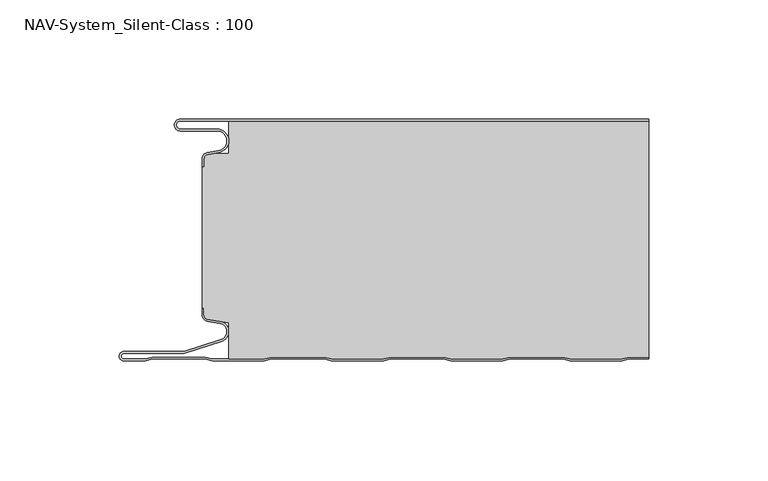
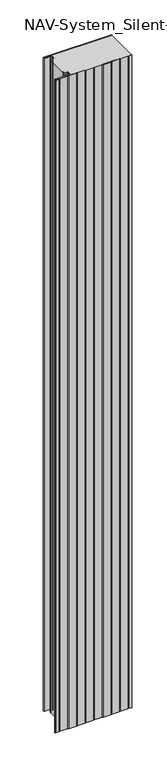
"""IFC4 building model written with IfcOpenShell, lengths in millimetres: plate geometry, NAV-System_Silent-Class : 100."""

from ifc_helpers import new_model, si_unit, frame, origin, place, context, project, spatial, polyline, circle_curve, source, transform, mapped, element, save
from ifc_brep_helpers import plane_surface, cylinder_surface, revolved_surface, advanced_brep


def nav_system_silent_class_100_6dbcedf6(model_context):
    return source(origin(), model_context, "Body", "AdvancedBrep", [
        advanced_brep(
        [(-97.0000001, -0.8000002, 0.0), (-97.0000001, -4.1999999, 0.0), (-81.6002086, -4.1999999, 0.0), (-80.7423864, -14.0049502, 0.0), (-85.6125665, -14.8636946, 0.0), (-87.1000004, -16.6363494, 0.0), (-87.1000014, -19.9421291, 0.0), (-87.9000014, -19.9421291, 0.0), (-87.9000014, -16.6363484, 0.0), (-85.7514853, -14.0758488, 0.0), (-80.8813015, -13.217104, 0.0), (-81.600205, -4.9999999, 0.0), (-97.0000001, -4.9999999, 0.0), (-97.0000001, 0.0, 0.0), (99.5, 0.0, 0.0), (99.5, -0.8, 0.0), (-97.0000001, 0.0, 2000.0), (-97.0000001, -4.9999999, 2000.0), (-81.600205, -4.9999999, 2000.0), (-80.8813015, -13.217104, 2000.0), (-85.7514853, -14.0758488, 2000.0), (-87.8999997, -16.6363484, 2000.0), (-87.9000014, -19.9421291, 2000.0), (-87.1000014, -19.9421291, 2000.0), (-87.1000014, -16.6363494, 2000.0), (-85.6125665, -14.8636946, 2000.0), (-80.7423864, -14.0049502, 2000.0), (-81.6002086, -4.1999999, 2000.0), (-97.0000001, -4.1999999, 2000.0), (-97.0000001, -0.8000002, 2000.0), (99.5, -0.8, 2000.0), (99.5, 0.0, 2000.0)],
        [
            (0, 1, circle_curve(frame((-97.0000001, -2.5, 0.0), z_axis=(0.0, 0.0, 1.0), x_axis=(1.0, 0.0, 0.0)), 1.6999999)),
            (1, 2),
            (2, 3, circle_curve(frame((-81.6002086, -9.1399999, 0.0), z_axis=(0.0, 0.0, -1.0), x_axis=(1.0, 0.0, 0.0)), 4.94)),
            (3, 4),
            (4, 5, circle_curve(frame((-85.2999995, -16.6363494, 0.0), z_axis=(0.0, 0.0, 1.0), x_axis=(1.0, 0.0, 0.0)), 1.8000009)),
            (5, 6),
            (6, 7),
            (7, 8),
            (8, 9, circle_curve(frame((-85.3000002, -16.6363484, 0.0), z_axis=(0.0, 0.0, -1.0), x_axis=(1.0, 0.0, 0.0)), 2.5999995)),
            (9, 10),
            (10, 11, circle_curve(frame((-81.600205, -9.1399999, 0.0), z_axis=(0.0, 0.0, 1.0), x_axis=(1.0, 0.0, 0.0)), 4.14)),
            (11, 12),
            (12, 13, circle_curve(frame((-97.0000001, -2.4999999, 0.0), z_axis=(0.0, 0.0, -1.0), x_axis=(1.0, 0.0, 0.0)), 2.4999999)),
            (13, 14),
            (14, 15),
            (15, 0),
            (16, 17, circle_curve(frame((-97.0000001, -2.4999999, 2000.0), z_axis=(0.0, 0.0, 1.0), x_axis=(1.0, 0.0, 0.0)), 2.4999999)),
            (17, 18),
            (18, 19, circle_curve(frame((-81.600205, -9.1399999, 2000.0), z_axis=(0.0, 0.0, -1.0), x_axis=(1.0, 0.0, 0.0)), 4.14)),
            (19, 20),
            (20, 21, circle_curve(frame((-85.3000002, -16.6363484, 2000.0), z_axis=(0.0, 0.0, 1.0), x_axis=(1.0, 0.0, 0.0)), 2.5999995)),
            (21, 22),
            (22, 23),
            (23, 24),
            (24, 25, circle_curve(frame((-85.2999995, -16.6363494, 2000.0), z_axis=(0.0, 0.0, -1.0), x_axis=(1.0, 0.0, 0.0)), 1.8000009)),
            (25, 26),
            (26, 27, circle_curve(frame((-81.6002086, -9.1399999, 2000.0), z_axis=(0.0, 0.0, 1.0), x_axis=(1.0, 0.0, 0.0)), 4.94)),
            (27, 28),
            (28, 29, circle_curve(frame((-97.0000001, -2.5, 2000.0), z_axis=(0.0, 0.0, -1.0), x_axis=(1.0, 0.0, 0.0)), 1.6999999)),
            (29, 30),
            (30, 31),
            (31, 16),
            (29, 0),
            (15, 30),
            (13, 16),
            (31, 14),
            (1, 28),
            (27, 2),
            (5, 24),
            (23, 6),
            (22, 7),
            (21, 8),
            (11, 18),
            (17, 12),
            (26, 3),
            (25, 4),
            (20, 9),
            (19, 10),
        ],
        [
            plane_surface(frame((-99.5, 0.0, 0.0), z_axis=(0.0, 0.0, -1.0), x_axis=(0.0, -1.0, 0.0))),
            plane_surface(frame((-99.5, 0.0, 2000.0), z_axis=(0.0, 0.0, 1.0), x_axis=(0.0, -1.0, 0.0))),
            plane_surface(frame((898.5000017, -0.8, 0.0), z_axis=(0.0, -1.0, 0.0), x_axis=(0.0, 0.0, 1.0))),
            plane_surface(frame((-97.0000001, 0.0, 0.0), z_axis=(0.0, 1.0, 0.0), x_axis=(0.0, 0.0, 1.0))),
            plane_surface(frame((-97.0000001, -4.1999999, 0.0), z_axis=(0.0, 1.0, 0.0), x_axis=(0.0, 0.0, 1.0))),
            plane_surface(frame((-87.1000014, -16.6363494, 0.0), z_axis=(1.0, 0.0, 0.0), x_axis=(0.0, 0.0, 1.0))),
            plane_surface(frame((-87.1000014, -19.9421291, 0.0), z_axis=(0.0, -1.0, 0.0), x_axis=(0.0, 0.0, 1.0))),
            plane_surface(frame((-87.9000014, -19.9421291, 0.0), z_axis=(-1.0, 0.0, 0.0), x_axis=(0.0, 0.0, 1.0))),
            plane_surface(frame((-81.600205, -4.9999999, 0.0), z_axis=(0.0, -1.0, 0.0), x_axis=(0.0, 0.0, 1.0))),
            revolved_surface(polyline([(-95.3000002, -2.5, 2000.0), (-95.3000002, -2.5, 0.0)]), (-97.0000001, -2.5, 0.0), (0.0, 0.0, 1.0)),
            cylinder_surface(frame((-81.6002086, -9.1399999, 0.0), z_axis=(0.0, 0.0, -1.0), x_axis=(1.0, 0.0, 0.0)), 4.94),
            plane_surface(frame((-80.7423864, -14.0049502, 0.0), z_axis=(0.17364822279076972, -0.9848077450556567, 0.0), x_axis=(0.0, 0.0, 1.0))),
            revolved_surface(polyline([(-83.4999986, -16.6363494, 2000.0), (-83.4999986, -16.6363494, 0.0)]), (-85.2999995, -16.6363494, 0.0), (0.0, 0.0, 1.0)),
            cylinder_surface(frame((-85.3000002, -16.6363484, 0.0), z_axis=(0.0, 0.0, -1.0), x_axis=(1.0, 0.0, 0.0)), 2.5999995),
            plane_surface(frame((-85.7514853, -14.0758488, 0.0), z_axis=(-0.17364817295915452, 0.984807753842316, 0.0), x_axis=(0.0, 0.0, 1.0))),
            revolved_surface(polyline([(-77.460205, -9.1399999, 2000.0), (-77.460205, -9.1399999, 0.0)]), (-81.600205, -9.1399999, 0.0), (0.0, 0.0, 1.0)),
            cylinder_surface(frame((-97.0000001, -2.4999999, 0.0), z_axis=(0.0, 0.0, -1.0), x_axis=(1.0, 0.0, 0.0)), 2.4999999),
            plane_surface(frame((99.5, 100.0, 2000.0), z_axis=(1.0, 0.0, 0.0), x_axis=(0.0, 0.0, -1.0))),
        ],
        [
            (0, [[1, 2, 3, 4, 5, 6, 7, 8, 9, 10, 11, 12, 13, 14, 15, 16]]),
            (1, [[17, 18, 19, 20, 21, 22, 23, 24, 25, 26, 27, 28, 29, 30, 31, 32]]),
            (2, [[33, -16, 34, -30]]),
            (3, [[35, -32, 36, -14]]),
            (4, [[-2, 37, -28, 38]]),
            (5, [[-6, 39, -24, 40]]),
            (6, [[-7, -40, -23, 41]]),
            (7, [[-8, -41, -22, 42]]),
            (8, [[-12, 43, -18, 44]]),
            (9, [[-1, -33, -29, -37]]),
            (10, [[-3, -38, -27, 45]]),
            (11, [[-4, -45, -26, 46]]),
            (12, [[-5, -46, -25, -39]]),
            (13, [[-9, -42, -21, 47]]),
            (14, [[-10, -47, -20, 48]]),
            (15, [[-11, -48, -19, -43]]),
            (16, [[-13, -44, -17, -35]]),
            (17, [[-15, -36, -31, -34]]),
        ],
    ),
        advanced_brep(
        [(-76.6719045, -0.8, 2000.0), (-76.6719045, -14.4343223, 2000.0), (-83.1891722, -14.4343223, 2000.0), (-85.6242625, -14.8636946, 2000.0), (-87.1116964, -16.636349, 2000.0), (-87.1116974, -19.9512003, 2000.0), (-87.9116974, -19.9512003, 2000.0), (-87.9116974, -79.3983656, 2000.0), (-87.1116974, -79.3983656, 2000.0), (-87.1116974, -82.1656409, 2000.0), (-85.4245663, -84.1410176, 2000.0), (-76.6248082, -85.5347623, 2000.0), (-76.6248082, -100.8, 2000.0), (-61.8218295, -100.8, 2000.0), (-58.7610803, -100.0, 2000.0), (-36.5891849, -100.0, 2000.0), (-33.5284357, -100.8, 2000.0), (-11.8218295, -100.8, 2000.0), (-8.7610803, -100.0, 2000.0), (13.4108151, -100.0, 2000.0), (16.4715643, -100.8, 2000.0), (38.1904, -100.8, 2000.0), (41.2511493, -100.0, 2000.0), (63.4108151, -100.0, 2000.0), (66.4715643, -100.8, 2000.0), (88.1781705, -100.8, 2000.0), (91.2389197, -100.0, 2000.0), (99.5, -100.0, 2000.0), (99.5, -0.8, 2000.0), (91.2389197, -100.0, 0.0), (88.1781705, -100.8, 0.0), (66.4715643, -100.8, 0.0), (63.4108151, -100.0, 0.0), (41.2511493, -100.0, 0.0), (38.1904, -100.8, 0.0), (16.4715643, -100.8, 0.0), (13.4108151, -100.0, 0.0), (-8.7610803, -100.0, 0.0), (-11.8218295, -100.8, 0.0), (-33.5284357, -100.8, 0.0), (-36.5891849, -100.0, 0.0), (-58.7610803, -100.0, 0.0), (-61.8218295, -100.8, 0.0), (-76.6248082, -100.8, 0.0), (-76.6248082, -85.5347623, 0.0), (-85.4245663, -84.1410176, 0.0), (-87.1116974, -82.1656409, 0.0), (-87.1116974, -79.3983656, 0.0), (-87.9116974, -79.3983656, 0.0), (-87.9116974, -19.9512003, 0.0), (-87.1116974, -19.9512003, 0.0), (-87.1116974, -16.636349, 0.0), (-85.6242625, -14.8636946, 0.0), (-83.1891722, -14.4343223, 0.0), (-76.6719045, -14.4343223, 0.0), (-76.6719045, -0.8, 0.0), (99.5, -0.8, 0.0), (99.5, -100.0, 0.0)],
        [
            (0, 1),
            (1, 2),
            (2, 3),
            (3, 4, circle_curve(frame((-85.3116955, -16.6363494, 2000.0), z_axis=(0.0, 0.0, 1.0), x_axis=(1.0, 0.0, 0.0)), 1.8000009)),
            (4, 5),
            (5, 6),
            (6, 7),
            (7, 8),
            (8, 9),
            (9, 10, circle_curve(frame((-85.1116974, -82.1656409, 2000.0), z_axis=(0.0, 0.0, 1.0), x_axis=(1.0, 0.0, 0.0)), 2.0)),
            (10, 11),
            (11, 12),
            (12, 13),
            (13, 14),
            (14, 15),
            (15, 16),
            (16, 17),
            (17, 18),
            (18, 19),
            (19, 20),
            (20, 21),
            (21, 22),
            (22, 23),
            (23, 24),
            (24, 25),
            (25, 26),
            (26, 27),
            (27, 28),
            (28, 0),
            (29, 30),
            (30, 31),
            (31, 32),
            (32, 33),
            (33, 34),
            (34, 35),
            (35, 36),
            (36, 37),
            (37, 38),
            (38, 39),
            (39, 40),
            (40, 41),
            (41, 42),
            (42, 43),
            (43, 44),
            (44, 45),
            (45, 46, circle_curve(frame((-85.1116974, -82.1656409, 0.0), z_axis=(0.0, 0.0, -1.0), x_axis=(1.0, 0.0, 0.0)), 2.0)),
            (46, 47),
            (47, 48),
            (48, 49),
            (49, 50),
            (50, 51),
            (51, 52, circle_curve(frame((-85.3116955, -16.6363494, 0.0), z_axis=(0.0, 0.0, -1.0), x_axis=(1.0, 0.0, 0.0)), 1.8000009)),
            (52, 53),
            (53, 54),
            (54, 55),
            (55, 56),
            (56, 57),
            (57, 29),
            (55, 0),
            (28, 56),
            (54, 1),
            (53, 2),
            (52, 3),
            (51, 4),
            (50, 5),
            (49, 6),
            (48, 7),
            (47, 8),
            (46, 9),
            (45, 10),
            (44, 11),
            (43, 12),
            (42, 13),
            (41, 14),
            (40, 15),
            (39, 16),
            (38, 17),
            (37, 18),
            (36, 19),
            (35, 20),
            (34, 21),
            (33, 22),
            (32, 23),
            (31, 24),
            (30, 25),
            (29, 26),
            (57, 27),
        ],
        [
            plane_surface(frame((-99.5, 0.0, 2000.0), z_axis=(0.0, 0.0, 1.0), x_axis=(0.0, -1.0, 0.0))),
            plane_surface(frame((-99.5, 0.0, 0.0), z_axis=(0.0, 0.0, -1.0), x_axis=(0.0, -1.0, 0.0))),
            plane_surface(frame((898.4883057, -0.8, 2000.0), z_axis=(0.0, 1.0, 0.0), x_axis=(0.0, 0.0, -1.0))),
            plane_surface(frame((-76.6719045, -0.8, 2000.0), z_axis=(-1.0, 0.0, 0.0), x_axis=(0.0, 0.0, -1.0))),
            plane_surface(frame((-76.6719045, -14.4343223, 2000.0), z_axis=(0.0, 1.0, 0.0), x_axis=(0.0, 0.0, -1.0))),
            plane_surface(frame((-83.1891722, -14.4343223, 2000.0), z_axis=(-0.17364822279077605, 0.9848077450556556, 0.0), x_axis=(0.0, 0.0, -1.0))),
            cylinder_surface(frame((-85.3116955, -16.6363494, 2000.0), z_axis=(0.0, 0.0, 1.0), x_axis=(1.0, 0.0, 0.0)), 1.8000009),
            plane_surface(frame((-87.1116974, -16.636349, 2000.0), z_axis=(-1.0, 0.0, 0.0), x_axis=(0.0, 0.0, -1.0))),
            plane_surface(frame((-87.1116974, -19.9512003, 2000.0), z_axis=(0.0, 1.0, 0.0), x_axis=(0.0, 0.0, -1.0))),
            plane_surface(frame((-87.9116974, -19.9512003, 2000.0), z_axis=(-1.0, 0.0, 0.0), x_axis=(0.0, 0.0, -1.0))),
            plane_surface(frame((-87.9116974, -79.3983656, 2000.0), z_axis=(0.0, -1.0, 0.0), x_axis=(0.0, 0.0, -1.0))),
            plane_surface(frame((-87.1116974, -79.3983656, 2000.0), z_axis=(-1.0, 0.0, 0.0), x_axis=(0.0, 0.0, -1.0))),
            cylinder_surface(frame((-85.1116974, -82.1656409, 2000.0), z_axis=(0.0, 0.0, 1.0), x_axis=(1.0, 0.0, 0.0)), 2.0),
            plane_surface(frame((-85.4245663, -84.1410176, 2000.0), z_axis=(-0.15643446503997957, -0.9876883405951775, 0.0), x_axis=(0.0, 0.0, -1.0))),
            plane_surface(frame((-76.6248082, -85.5347623, 2000.0), z_axis=(-1.0, 0.0, 0.0), x_axis=(0.0, 0.0, -1.0))),
            plane_surface(frame((-76.6248082, -100.8, 2000.0), z_axis=(0.0, -1.0, 0.0), x_axis=(0.0, 0.0, -1.0))),
            plane_surface(frame((-61.8218295, -100.8, 2000.0), z_axis=(0.2528787310081783, -0.9674979831522613, 0.0), x_axis=(0.0, 0.0, -1.0))),
            plane_surface(frame((-58.7610803, -100.0, 2000.0), z_axis=(0.0, -1.0, 0.0), x_axis=(0.0, 0.0, -1.0))),
            plane_surface(frame((-36.5891849, -100.0, 2000.0), z_axis=(-0.2528787310100107, -0.9674979831517825, 0.0), x_axis=(0.0, 0.0, -1.0))),
            plane_surface(frame((-33.5284357, -100.8, 2000.0), z_axis=(0.0, -1.0, 0.0), x_axis=(0.0, 0.0, -1.0))),
            plane_surface(frame((-11.8218295, -100.8, 2000.0), z_axis=(0.2528787310082462, -0.9674979831522437, 0.0), x_axis=(0.0, 0.0, -1.0))),
            plane_surface(frame((-8.7610803, -100.0, 2000.0), z_axis=(0.0, -1.0, 0.0), x_axis=(0.0, 0.0, -1.0))),
            plane_surface(frame((13.4108151, -100.0, 2000.0), z_axis=(-0.25287873100843644, -0.9674979831521939, 0.0), x_axis=(0.0, 0.0, -1.0))),
            plane_surface(frame((16.4715643, -100.8, 2000.0), z_axis=(0.0, -1.0, 0.0), x_axis=(0.0, 0.0, -1.0))),
            plane_surface(frame((38.1904, -100.8, 2000.0), z_axis=(0.25287873100806824, -0.9674979831522902, 0.0), x_axis=(0.0, 0.0, -1.0))),
            plane_surface(frame((41.2511493, -100.0, 2000.0), z_axis=(0.0, -1.0, 0.0), x_axis=(0.0, 0.0, -1.0))),
            plane_surface(frame((63.4108151, -100.0, 2000.0), z_axis=(-0.25287873100835406, -0.9674979831522155, 0.0), x_axis=(0.0, 0.0, -1.0))),
            plane_surface(frame((66.4715643, -100.8, 2000.0), z_axis=(0.0, -1.0, 0.0), x_axis=(0.0, 0.0, -1.0))),
            plane_surface(frame((88.1781705, -100.8, 2000.0), z_axis=(0.25287873100822345, -0.9674979831522497, 0.0), x_axis=(0.0, 0.0, -1.0))),
            plane_surface(frame((91.2389197, -100.0, 2000.0), z_axis=(0.0, -1.0, 0.0), x_axis=(0.0, 0.0, -1.0))),
            plane_surface(frame((99.5, 100.0, 2000.0), z_axis=(1.0, 0.0, 0.0), x_axis=(0.0, 0.0, -1.0))),
        ],
        [
            (0, [[1, 2, 3, 4, 5, 6, 7, 8, 9, 10, 11, 12, 13, 14, 15, 16, 17, 18, 19, 20, 21, 22, 23, 24, 25, 26, 27, 28, 29]]),
            (1, [[30, 31, 32, 33, 34, 35, 36, 37, 38, 39, 40, 41, 42, 43, 44, 45, 46, 47, 48, 49, 50, 51, 52, 53, 54, 55, 56, 57, 58]]),
            (2, [[59, -29, 60, -56]]),
            (3, [[-1, -59, -55, 61]]),
            (4, [[-2, -61, -54, 62]]),
            (5, [[-3, -62, -53, 63]]),
            (6, [[-4, -63, -52, 64]]),
            (7, [[-5, -64, -51, 65]]),
            (8, [[-6, -65, -50, 66]]),
            (9, [[-7, -66, -49, 67]]),
            (10, [[-8, -67, -48, 68]]),
            (11, [[-9, -68, -47, 69]]),
            (12, [[-10, -69, -46, 70]]),
            (13, [[-11, -70, -45, 71]]),
            (14, [[-12, -71, -44, 72]]),
            (15, [[-13, -72, -43, 73]]),
            (16, [[-14, -73, -42, 74]]),
            (17, [[-15, -74, -41, 75]]),
            (18, [[-16, -75, -40, 76]]),
            (19, [[-17, -76, -39, 77]]),
            (20, [[-18, -77, -38, 78]]),
            (21, [[-19, -78, -37, 79]]),
            (22, [[-20, -79, -36, 80]]),
            (23, [[-21, -80, -35, 81]]),
            (24, [[-22, -81, -34, 82]]),
            (25, [[-23, -82, -33, 83]]),
            (26, [[-24, -83, -32, 84]]),
            (27, [[-25, -84, -31, 85]]),
            (28, [[-26, -85, -30, 86]]),
            (29, [[-86, -58, 87, -27]]),
            (30, [[-28, -87, -57, -60]]),
        ],
    ),
        advanced_brep(
        [(91.239397, -100.0, 2000.0), (88.1786477, -100.8, 2000.0), (66.4720416, -100.8, 2000.0), (63.4112923, -100.0, 2000.0), (41.2516265, -100.0, 2000.0), (38.1908772, -100.8, 2000.0), (16.4720416, -100.8, 2000.0), (13.4112923, -100.0, 2000.0), (-8.760603, -100.0, 2000.0), (-11.8213523, -100.8, 2000.0), (-33.5279584, -100.8, 2000.0), (-36.5887077, -100.0, 2000.0), (-58.760603, -100.0, 2000.0), (-61.8213523, -100.8, 2000.0), (-83.5279584, -100.8, 2000.0), (-86.5887077, -100.0, 2000.0), (-108.760603, -100.0, 2000.0), (-111.8190206, -100.7993906, 2000.0), (-120.7154182, -100.7993906, 2000.0), (-120.6771783, -98.4000003, 2000.0), (-95.3414726, -98.4000003, 2000.0), (-79.6231923, -93.2926893, 2000.0), (-80.2358126, -84.9629887, 2000.0), (-85.4240891, -84.1412465, 2000.0), (-87.1112201, -82.1658698, 2000.0), (-87.1112201, -79.3985945, 2000.0), (-87.9112201, -79.3985945, 2000.0), (-87.9112201, -82.1658698, 2000.0), (-85.5140582, -84.93674, 2000.0), (-80.4044746, -85.7460185, 2000.0), (-79.8704103, -92.5316172, 2000.0), (-95.4681798, -97.6000003, 2000.0), (-120.6771783, -97.6000003, 2000.0), (-120.726556, -101.5993906, 2000.0), (-111.7161981, -101.5993906, 2000.0), (-108.6577806, -100.8, 2000.0), (-86.6915302, -100.8, 2000.0), (-83.6307809, -101.6, 2000.0), (-61.7185298, -101.6, 2000.0), (-58.6577806, -100.8, 2000.0), (-36.6915302, -100.8, 2000.0), (-33.6307809, -101.6, 2000.0), (-11.7185298, -101.6, 2000.0), (-8.6577806, -100.8, 2000.0), (13.3084698, -100.8, 2000.0), (16.3692191, -101.6, 2000.0), (38.2936997, -101.6, 2000.0), (41.354449, -100.8, 2000.0), (63.3084698, -100.8, 2000.0), (66.3692191, -101.6, 2000.0), (88.2814702, -101.6, 2000.0), (91.3422194, -100.8, 2000.0), (99.5, -100.8, 2000.0), (99.5, -100.0, 2000.0), (91.3422194, -100.8, 0.0), (88.2814702, -101.6, 0.0), (66.3692191, -101.6, 0.0), (63.3084698, -100.8, 0.0), (41.354449, -100.8, 0.0), (38.2936997, -101.6, 0.0), (16.3692191, -101.6, 0.0), (13.3084698, -100.8, 0.0), (-8.6577806, -100.8, 0.0), (-11.7185298, -101.6, 0.0), (-33.6307809, -101.6, 0.0), (-36.6915302, -100.8, 0.0), (-58.6577806, -100.8, 0.0), (-61.7185298, -101.6, 0.0), (-83.6307809, -101.6, 0.0), (-86.6915302, -100.8, 0.0), (-108.6577806, -100.8, 0.0), (-111.7161981, -101.5993906, 0.0), (-120.726556, -101.5993906, 0.0), (-120.6771783, -97.6000003, 0.0), (-95.4681798, -97.6000003, 0.0), (-79.8704103, -92.5318461, 0.0), (-80.4044746, -85.7460185, 0.0), (-85.5140582, -84.93674, 0.0), (-87.9112201, -82.1658698, 0.0), (-87.9112201, -79.3985945, 0.0), (-87.1112201, -79.3985945, 0.0), (-87.1112201, -82.1658698, 0.0), (-85.4240891, -84.1412465, 0.0), (-80.2358126, -84.9629887, 0.0), (-79.6231923, -93.2924604, 0.0), (-95.3414726, -98.4000003, 0.0), (-120.6771783, -98.4000003, 0.0), (-120.7154182, -100.7993906, 0.0), (-111.8190206, -100.7993906, 0.0), (-108.760603, -100.0, 0.0), (-86.5887077, -100.0, 0.0), (-83.5279584, -100.8, 0.0), (-61.8213523, -100.8, 0.0), (-58.760603, -100.0, 0.0), (-36.5887077, -100.0, 0.0), (-33.5279584, -100.8, 0.0), (-11.8213523, -100.8, 0.0), (-8.760603, -100.0, 0.0), (13.4112923, -100.0, 0.0), (16.4720416, -100.8, 0.0), (38.1908772, -100.8, 0.0), (41.2516265, -100.0, 0.0), (63.4112923, -100.0, 0.0), (66.4720416, -100.8, 0.0), (88.1786477, -100.8, 0.0), (91.239397, -100.0, 0.0), (99.5, -100.0, 0.0), (99.5, -100.8, 0.0)],
        [
            (0, 1),
            (1, 2),
            (2, 3),
            (3, 4),
            (4, 5),
            (5, 6),
            (6, 7),
            (7, 8),
            (8, 9),
            (9, 10),
            (10, 11),
            (11, 12),
            (12, 13),
            (13, 14),
            (14, 15),
            (15, 16),
            (16, 17),
            (17, 18),
            (18, 19, circle_curve(frame((-120.6771783, -99.6000001, 2000.0), z_axis=(0.0, 0.0, -1.0), x_axis=(1.0, 0.0, 0.0)), 1.1999999)),
            (19, 20),
            (20, 21),
            (21, 22, circle_curve(frame((-80.9519964, -89.2029275, 2000.0), z_axis=(0.0, 0.0, 1.0), x_axis=(1.0, 0.0, 0.0)), 4.3)),
            (22, 23),
            (23, 24, circle_curve(frame((-85.1112201, -82.1658698, 2000.0), z_axis=(0.0, 0.0, -1.0), x_axis=(1.0, 0.0, 0.0)), 2.0)),
            (24, 25),
            (25, 26),
            (26, 27),
            (27, 28, circle_curve(frame((-85.1112201, -82.1658698, 2000.0), z_axis=(0.0, 0.0, 1.0), x_axis=(1.0, 0.0, 0.0)), 2.8)),
            (28, 29),
            (29, 30, circle_curve(frame((-80.9519952, -89.2029277, 2000.0), z_axis=(0.0, 0.0, -1.0), x_axis=(1.0, 0.0, 0.0)), 3.5)),
            (30, 31),
            (31, 32),
            (32, 33, circle_curve(frame((-120.6771783, -99.6000003, 2000.0), z_axis=(0.0, 0.0, 1.0), x_axis=(1.0, 0.0, 0.0)), 1.9999999)),
            (33, 34),
            (34, 35),
            (35, 36),
            (36, 37),
            (37, 38),
            (38, 39),
            (39, 40),
            (40, 41),
            (41, 42),
            (42, 43),
            (43, 44),
            (44, 45),
            (45, 46),
            (46, 47),
            (47, 48),
            (48, 49),
            (49, 50),
            (50, 51),
            (51, 52),
            (52, 53),
            (53, 0),
            (54, 55),
            (55, 56),
            (56, 57),
            (57, 58),
            (58, 59),
            (59, 60),
            (60, 61),
            (61, 62),
            (62, 63),
            (63, 64),
            (64, 65),
            (65, 66),
            (66, 67),
            (67, 68),
            (68, 69),
            (69, 70),
            (70, 71),
            (71, 72),
            (72, 73, circle_curve(frame((-120.6771783, -99.6000003, 0.0), z_axis=(0.0, 0.0, -1.0), x_axis=(1.0, 0.0, 0.0)), 1.9999999)),
            (73, 74),
            (74, 75),
            (75, 76, circle_curve(frame((-80.9519952, -89.2029277, 0.0), z_axis=(0.0, 0.0, 1.0), x_axis=(1.0, 0.0, 0.0)), 3.5)),
            (76, 77),
            (77, 78, circle_curve(frame((-85.1112201, -82.1658698, 0.0), z_axis=(0.0, 0.0, -1.0), x_axis=(1.0, 0.0, 0.0)), 2.8)),
            (78, 79),
            (79, 80),
            (80, 81),
            (81, 82, circle_curve(frame((-85.1112201, -82.1658698, 0.0), z_axis=(0.0, 0.0, 1.0), x_axis=(1.0, 0.0, 0.0)), 2.0)),
            (82, 83),
            (83, 84, circle_curve(frame((-80.9519964, -89.2029275, 0.0), z_axis=(0.0, 0.0, -1.0), x_axis=(1.0, 0.0, 0.0)), 4.3)),
            (84, 85),
            (85, 86),
            (86, 87, circle_curve(frame((-120.6771783, -99.6000001, 0.0), z_axis=(0.0, 0.0, 1.0), x_axis=(1.0, 0.0, 0.0)), 1.1999999)),
            (87, 88),
            (88, 89),
            (89, 90),
            (90, 91),
            (91, 92),
            (92, 93),
            (93, 94),
            (94, 95),
            (95, 96),
            (96, 97),
            (97, 98),
            (98, 99),
            (99, 100),
            (100, 101),
            (101, 102),
            (102, 103),
            (103, 104),
            (104, 105),
            (105, 106),
            (106, 107),
            (107, 54),
            (17, 88),
            (87, 18),
            (86, 19),
            (85, 20),
            (84, 21),
            (22, 83),
            (82, 23),
            (81, 24),
            (80, 25),
            (79, 26),
            (78, 27),
            (77, 28),
            (30, 75),
            (74, 31),
            (73, 32),
            (72, 33),
            (71, 34),
            (105, 0),
            (53, 106),
            (104, 1),
            (103, 2),
            (102, 3),
            (101, 4),
            (100, 5),
            (99, 6),
            (98, 7),
            (97, 8),
            (96, 9),
            (95, 10),
            (94, 11),
            (93, 12),
            (92, 13),
            (91, 14),
            (90, 15),
            (89, 16),
            (76, 29),
            (70, 35),
            (69, 36),
            (68, 37),
            (67, 38),
            (66, 39),
            (65, 40),
            (64, 41),
            (63, 42),
            (62, 43),
            (61, 44),
            (60, 45),
            (59, 46),
            (58, 47),
            (57, 48),
            (56, 49),
            (55, 50),
            (54, 51),
            (107, 52),
        ],
        [
            plane_surface(frame((-99.5, -101.6, 2000.0), z_axis=(0.0, 0.0, 1.0), x_axis=(-1.0, 0.0, 0.0))),
            plane_surface(frame((-99.5, -101.6, 0.0), z_axis=(0.0, 0.0, -1.0), x_axis=(-1.0, 0.0, 0.0))),
            plane_surface(frame((-111.8190206, -100.7993906, 2000.0), z_axis=(0.0, 1.0, 0.0), x_axis=(0.0, 0.0, -1.0))),
            revolved_surface(polyline([(-119.4771784, -99.6000001, 0.0), (-119.4771784, -99.6000001, 2000.0)]), (-120.6771783, -99.6000001, 2000.0), (0.0, 0.0, -1.0)),
            plane_surface(frame((-120.6771783, -98.4000003, 2000.0), z_axis=(0.0, -1.0, 0.0), x_axis=(0.0, 0.0, -1.0))),
            plane_surface(frame((-95.3414726, -98.4000003, 2000.0), z_axis=(0.30902422182651945, -0.9510541679234229, 0.0), x_axis=(0.0, 0.0, -1.0))),
            plane_surface(frame((-80.2358126, -84.9629887, 2000.0), z_axis=(0.15643446504003203, 0.9876883405951694, 0.0), x_axis=(0.0, 0.0, -1.0))),
            revolved_surface(polyline([(-83.1112201, -82.1658698, 0.0), (-83.1112201, -82.1658698, 2000.0)]), (-85.1112201, -82.1658698, 2000.0), (0.0, 0.0, -1.0)),
            plane_surface(frame((-87.1112201, -82.1658698, 2000.0), z_axis=(1.0, 0.0, 0.0), x_axis=(0.0, 0.0, -1.0))),
            plane_surface(frame((-87.1112201, -79.3985945, 2000.0), z_axis=(0.0, 1.0, 0.0), x_axis=(0.0, 0.0, -1.0))),
            plane_surface(frame((-87.9112201, -79.3985945, 2000.0), z_axis=(-1.0, 0.0, 0.0), x_axis=(0.0, 0.0, -1.0))),
            cylinder_surface(frame((-85.1112201, -82.1658698, 2000.0), z_axis=(0.0, 0.0, 1.0), x_axis=(1.0, 0.0, 0.0)), 2.8),
            plane_surface(frame((-79.8704103, -92.5318461, 2000.0), z_axis=(-0.3090242543637345, 0.9510541573511668, 0.0), x_axis=(0.0, 0.0, -1.0))),
            plane_surface(frame((-95.4681798, -97.6000003, 2000.0), z_axis=(0.0, 1.0, 0.0), x_axis=(0.0, 0.0, -1.0))),
            cylinder_surface(frame((-120.6771783, -99.6000003, 2000.0), z_axis=(0.0, 0.0, 1.0), x_axis=(1.0, 0.0, 0.0)), 1.9999999),
            plane_surface(frame((-120.726556, -101.5993906, 2000.0), z_axis=(0.0, -1.0, 0.0), x_axis=(0.0, 0.0, -1.0))),
            plane_surface(frame((113.4112923, -100.0, 2000.0), z_axis=(0.0, 1.0, 0.0), x_axis=(0.0, 0.0, -1.0))),
            plane_surface(frame((91.239397, -100.0, 2000.0), z_axis=(-0.25287873100816, 0.9674979831522662, 0.0), x_axis=(0.0, 0.0, -1.0))),
            plane_surface(frame((88.1786477, -100.8, 2000.0), z_axis=(0.0, 1.0, 0.0), x_axis=(0.0, 0.0, -1.0))),
            plane_surface(frame((66.4720416, -100.8, 2000.0), z_axis=(0.2528787310081598, 0.9674979831522662, 0.0), x_axis=(0.0, 0.0, -1.0))),
            plane_surface(frame((63.4112923, -100.0, 2000.0), z_axis=(0.0, 1.0, 0.0), x_axis=(0.0, 0.0, -1.0))),
            plane_surface(frame((41.2516265, -100.0, 2000.0), z_axis=(-0.25287873100816, 0.9674979831522662, 0.0), x_axis=(0.0, 0.0, -1.0))),
            plane_surface(frame((38.1908772, -100.8, 2000.0), z_axis=(0.0, 1.0, 0.0), x_axis=(0.0, 0.0, -1.0))),
            plane_surface(frame((16.4720416, -100.8, 2000.0), z_axis=(0.2528787310083406, 0.9674979831522191, 0.0), x_axis=(0.0, 0.0, -1.0))),
            plane_surface(frame((13.4112923, -100.0, 2000.0), z_axis=(0.0, 1.0, 0.0), x_axis=(0.0, 0.0, -1.0))),
            plane_surface(frame((-8.760603, -100.0, 2000.0), z_axis=(-0.25287873100834074, 0.9674979831522189, 0.0), x_axis=(0.0, 0.0, -1.0))),
            plane_surface(frame((-11.8213523, -100.8, 2000.0), z_axis=(0.0, 1.0, 0.0), x_axis=(0.0, 0.0, -1.0))),
            plane_surface(frame((-33.5279584, -100.8, 2000.0), z_axis=(0.2528787310081598, 0.9674979831522662, 0.0), x_axis=(0.0, 0.0, -1.0))),
            plane_surface(frame((-36.5887077, -100.0, 2000.0), z_axis=(0.0, 1.0, 0.0), x_axis=(0.0, 0.0, -1.0))),
            plane_surface(frame((-58.760603, -100.0, 2000.0), z_axis=(-0.25287873100816, 0.9674979831522662, 0.0), x_axis=(0.0, 0.0, -1.0))),
            plane_surface(frame((-61.8213523, -100.8, 2000.0), z_axis=(0.0, 1.0, 0.0), x_axis=(0.0, 0.0, -1.0))),
            plane_surface(frame((-83.5279584, -100.8, 2000.0), z_axis=(0.2528787310081598, 0.9674979831522662, 0.0), x_axis=(0.0, 0.0, -1.0))),
            plane_surface(frame((-86.5887077, -100.0, 2000.0), z_axis=(0.0, 1.0, 0.0), x_axis=(0.0, 0.0, -1.0))),
            plane_surface(frame((-108.760603, -100.0, 2000.0), z_axis=(-0.25287873100816, 0.9674979831522662, 0.0), x_axis=(0.0, 0.0, -1.0))),
            cylinder_surface(frame((-80.9519964, -89.2029275, 2000.0), z_axis=(0.0, 0.0, 1.0), x_axis=(1.0, 0.0, 0.0)), 4.3),
            plane_surface(frame((-85.5140582, -84.93674, 2000.0), z_axis=(-0.15643446504045883, -0.9876883405951018, 0.0), x_axis=(0.0, 0.0, -1.0))),
            revolved_surface(polyline([(-77.4519952, -89.2029277, 0.0), (-77.4519952, -89.2029277, 2000.0)]), (-80.9519952, -89.2029277, 2000.0), (0.0, 0.0, -1.0)),
            plane_surface(frame((-111.7161981, -101.5993906, 2000.0), z_axis=(0.25287873100765673, -0.9674979831523978, 0.0), x_axis=(0.0, 0.0, -1.0))),
            plane_surface(frame((-108.6577806, -100.8, 2000.0), z_axis=(0.0, -1.0, 0.0), x_axis=(0.0, 0.0, -1.0))),
            plane_surface(frame((-86.6915302, -100.8, 2000.0), z_axis=(-0.2528787310076565, -0.9674979831523979, 0.0), x_axis=(0.0, 0.0, -1.0))),
            plane_surface(frame((-83.6307809, -101.6, 2000.0), z_axis=(0.0, -1.0, 0.0), x_axis=(0.0, 0.0, -1.0))),
            plane_surface(frame((-61.7185298, -101.6, 2000.0), z_axis=(0.25287873100765673, -0.9674979831523978, 0.0), x_axis=(0.0, 0.0, -1.0))),
            plane_surface(frame((-58.6577806, -100.8, 2000.0), z_axis=(0.0, -1.0, 0.0), x_axis=(0.0, 0.0, -1.0))),
            plane_surface(frame((-36.6915302, -100.8, 2000.0), z_axis=(-0.2528787310078372, -0.9674979831523505, 0.0), x_axis=(0.0, 0.0, -1.0))),
            plane_surface(frame((-33.6307809, -101.6, 2000.0), z_axis=(0.0, -1.0, 0.0), x_axis=(0.0, 0.0, -1.0))),
            plane_surface(frame((-11.7185298, -101.6, 2000.0), z_axis=(0.2528787310078374, -0.9674979831523505, 0.0), x_axis=(0.0, 0.0, -1.0))),
            plane_surface(frame((-8.6577806, -100.8, 2000.0), z_axis=(0.0, -1.0, 0.0), x_axis=(0.0, 0.0, -1.0))),
            plane_surface(frame((13.3084698, -100.8, 2000.0), z_axis=(-0.2528787310078372, -0.9674979831523505, 0.0), x_axis=(0.0, 0.0, -1.0))),
            plane_surface(frame((16.3692191, -101.6, 2000.0), z_axis=(0.0, -1.0, 0.0), x_axis=(0.0, 0.0, -1.0))),
            plane_surface(frame((38.2936997, -101.6, 2000.0), z_axis=(0.2528787310083481, -0.967497983152217, 0.0), x_axis=(0.0, 0.0, -1.0))),
            plane_surface(frame((41.354449, -100.8, 2000.0), z_axis=(0.0, -1.0, 0.0), x_axis=(0.0, 0.0, -1.0))),
            plane_surface(frame((63.3084698, -100.8, 2000.0), z_axis=(-0.2528787310076565, -0.9674979831523979, 0.0), x_axis=(0.0, 0.0, -1.0))),
            plane_surface(frame((66.3692191, -101.6, 2000.0), z_axis=(0.0, -1.0, 0.0), x_axis=(0.0, 0.0, -1.0))),
            plane_surface(frame((88.2814702, -101.6, 2000.0), z_axis=(0.25287873100765673, -0.9674979831523978, 0.0), x_axis=(0.0, 0.0, -1.0))),
            plane_surface(frame((91.3422194, -100.8, 2000.0), z_axis=(0.0, -1.0, 0.0), x_axis=(0.0, 0.0, -1.0))),
            plane_surface(frame((99.5, 100.0, 2000.0), z_axis=(1.0, 0.0, 0.0), x_axis=(0.0, 0.0, -1.0))),
        ],
        [
            (0, [[1, 2, 3, 4, 5, 6, 7, 8, 9, 10, 11, 12, 13, 14, 15, 16, 17, 18, 19, 20, 21, 22, 23, 24, 25, 26, 27, 28, 29, 30, 31, 32, 33, 34, 35, 36, 37, 38, 39, 40, 41, 42, 43, 44, 45, 46, 47, 48, 49, 50, 51, 52, 53, 54]]),
            (1, [[55, 56, 57, 58, 59, 60, 61, 62, 63, 64, 65, 66, 67, 68, 69, 70, 71, 72, 73, 74, 75, 76, 77, 78, 79, 80, 81, 82, 83, 84, 85, 86, 87, 88, 89, 90, 91, 92, 93, 94, 95, 96, 97, 98, 99, 100, 101, 102, 103, 104, 105, 106, 107, 108]]),
            (2, [[-18, 109, -88, 110]]),
            (3, [[-19, -110, -87, 111]]),
            (4, [[-20, -111, -86, 112]]),
            (5, [[-21, -112, -85, 113]]),
            (6, [[-23, 114, -83, 115]]),
            (7, [[-24, -115, -82, 116]]),
            (8, [[-25, -116, -81, 117]]),
            (9, [[-26, -117, -80, 118]]),
            (10, [[-27, -118, -79, 119]]),
            (11, [[-28, -119, -78, 120]]),
            (12, [[-31, 121, -75, 122]]),
            (13, [[-32, -122, -74, 123]]),
            (14, [[-33, -123, -73, 124]]),
            (15, [[-34, -124, -72, 125]]),
            (16, [[126, -54, 127, -106]]),
            (17, [[-1, -126, -105, 128]]),
            (18, [[-2, -128, -104, 129]]),
            (19, [[-3, -129, -103, 130]]),
            (20, [[-4, -130, -102, 131]]),
            (21, [[-5, -131, -101, 132]]),
            (22, [[-6, -132, -100, 133]]),
            (23, [[-7, -133, -99, 134]]),
            (24, [[-8, -134, -98, 135]]),
            (25, [[-9, -135, -97, 136]]),
            (26, [[-10, -136, -96, 137]]),
            (27, [[-11, -137, -95, 138]]),
            (28, [[-12, -138, -94, 139]]),
            (29, [[-13, -139, -93, 140]]),
            (30, [[-14, -140, -92, 141]]),
            (31, [[-15, -141, -91, 142]]),
            (32, [[-16, -142, -90, 143]]),
            (33, [[-17, -143, -89, -109]]),
            (34, [[-22, -113, -84, -114]]),
            (35, [[-29, -120, -77, 144]]),
            (36, [[-30, -144, -76, -121]]),
            (37, [[-35, -125, -71, 145]]),
            (38, [[-36, -145, -70, 146]]),
            (39, [[-37, -146, -69, 147]]),
            (40, [[-38, -147, -68, 148]]),
            (41, [[-39, -148, -67, 149]]),
            (42, [[-40, -149, -66, 150]]),
            (43, [[-41, -150, -65, 151]]),
            (44, [[-42, -151, -64, 152]]),
            (45, [[-43, -152, -63, 153]]),
            (46, [[-44, -153, -62, 154]]),
            (47, [[-45, -154, -61, 155]]),
            (48, [[-46, -155, -60, 156]]),
            (49, [[-47, -156, -59, 157]]),
            (50, [[-48, -157, -58, 158]]),
            (51, [[-49, -158, -57, 159]]),
            (52, [[-50, -159, -56, 160]]),
            (53, [[-51, -160, -55, 161]]),
            (54, [[-161, -108, 162, -52]]),
            (55, [[-53, -162, -107, -127]]),
        ],
    ),
    ])


if __name__ == "__main__":
    model = new_model("IFC4")
    model_context = context("Model", 3, world=origin())
    ifc_project = project(units=[si_unit("LENGTHUNIT", "METRE", prefix="MILLI")], contexts=[model_context])
    site = spatial("IfcSite", under=ifc_project)
    building = spatial("IfcBuilding", under=site)
    placement = place(None, origin())
    nav_system_silent_class_100_shape = nav_system_silent_class_100_6dbcedf6(model_context)
    element("IfcPlate", 1, ObjectType="NAV-System_Silent-Class : 100", at=placement, inside=building, context=model_context, shape_type="MappedRepresentation", body=[
        mapped(nav_system_silent_class_100_shape, transform((0.0, 0.0, 0.0), x_axis=(1.0, 0.0, 0.0), y_axis=(0.0, 1.0, 0.0), z_axis=(0.0, 0.0, 1.0))),
    ])
    save(model, "model.ifc")
